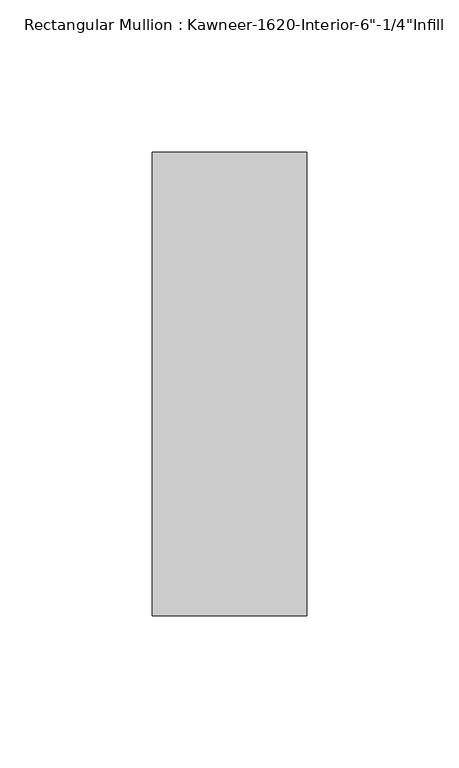
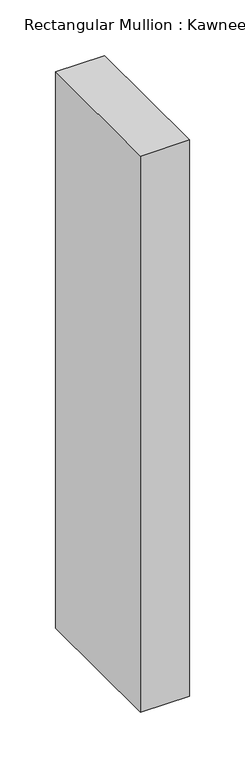
"""IFC4 building model written with IfcOpenShell, lengths in millimetres: member geometry."""

from ifc_helpers import new_model, si_unit, frame, origin, place, context, project, spatial, polyline, outline, extrude, source, transform, mapped, element, save


def member_b4b9f289(model_context):
    return source(origin(), model_context, "Body", "SweptSolid", [
        extrude(outline(polyline([(25.4, -123.825), (-25.4, -123.825), (-25.4, 28.575), (25.4, 28.575), (25.4, -123.825)])), frame((0.0, 0.0, -609.6), z_axis=(0.0, 0.0, 1.0), x_axis=(1.0, 0.0, 0.0)), (0.0, 0.0, 1.0), 609.6),
    ])


if __name__ == "__main__":
    model = new_model("IFC4")
    model_context = context("Model", 3, world=origin())
    ifc_project = project(units=[si_unit("LENGTHUNIT", "METRE", prefix="MILLI")], contexts=[model_context])
    site = spatial("IfcSite", under=ifc_project)
    building = spatial("IfcBuilding", under=site)
    placement = place(None, origin())
    member_shape = member_b4b9f289(model_context)
    element("IfcMember", 1, ObjectType="Rectangular Mullion : Kawneer-1620-Interior-6\"-1/4\"Infill", at=placement, inside=building, context=model_context, shape_type="MappedRepresentation", body=[
        mapped(member_shape, transform((0.0, 0.0, 0.0), x_axis=(1.0, 0.0, 0.0), y_axis=(0.0, 1.0, 0.0), z_axis=(0.0, 0.0, 1.0))),
    ])
    save(model, "model.ifc")
